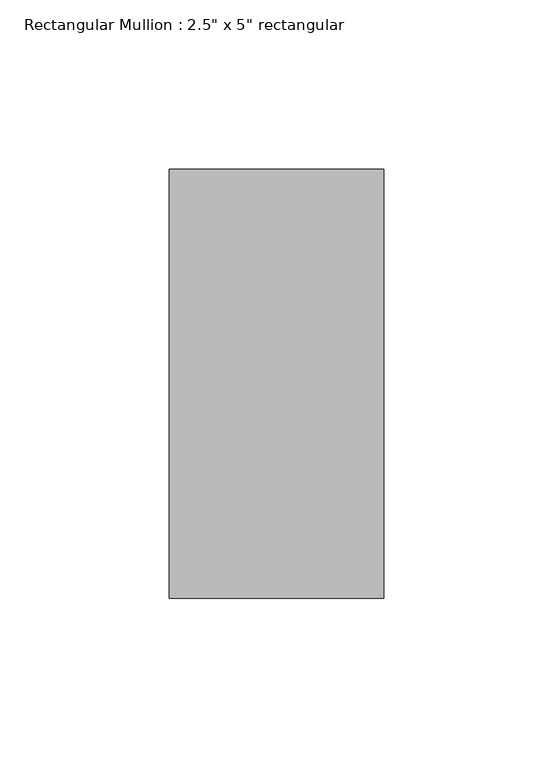
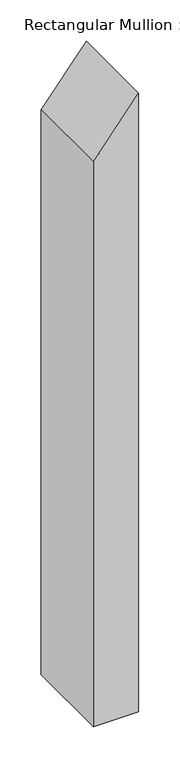
"""IFC4 building model written with IfcOpenShell, lengths in millimetres: member geometry."""

from ifc_helpers import new_model, si_unit, frame, origin, place, context, project, spatial, polyline, outline, extrude, source, transform, mapped, element, save


def member_eaab0b72(model_context):
    return source(origin(), model_context, "Body", "SweptSolid", [
        extrude(outline(polyline([(0.0, 0.0), (-79.4073708, -63.5), (-915.5339433, -63.5), (-915.5339433, 0.0), (0.0, 0.0)])), frame((0.0, -63.5, 0.0), z_axis=(0.0, 1.0, 0.0), x_axis=(0.0, 0.0, 1.0)), (0.0, 0.0, 1.0), 127.0),
    ])


if __name__ == "__main__":
    model = new_model("IFC4")
    model_context = context("Model", 3, world=origin())
    ifc_project = project(units=[si_unit("LENGTHUNIT", "METRE", prefix="MILLI")], contexts=[model_context])
    site = spatial("IfcSite", under=ifc_project)
    building = spatial("IfcBuilding", under=site)
    placement = place(None, origin())
    member_shape = member_eaab0b72(model_context)
    element("IfcMember", 1, ObjectType="Rectangular Mullion : 2.5\" x 5\" rectangular", at=placement, inside=building, context=model_context, shape_type="MappedRepresentation", body=[
        mapped(member_shape, transform((0.0, 0.0, 0.0), x_axis=(1.0, 0.0, 0.0), y_axis=(0.0, 1.0, 0.0), z_axis=(0.0, 0.0, 1.0))),
    ])
    save(model, "model.ifc")
